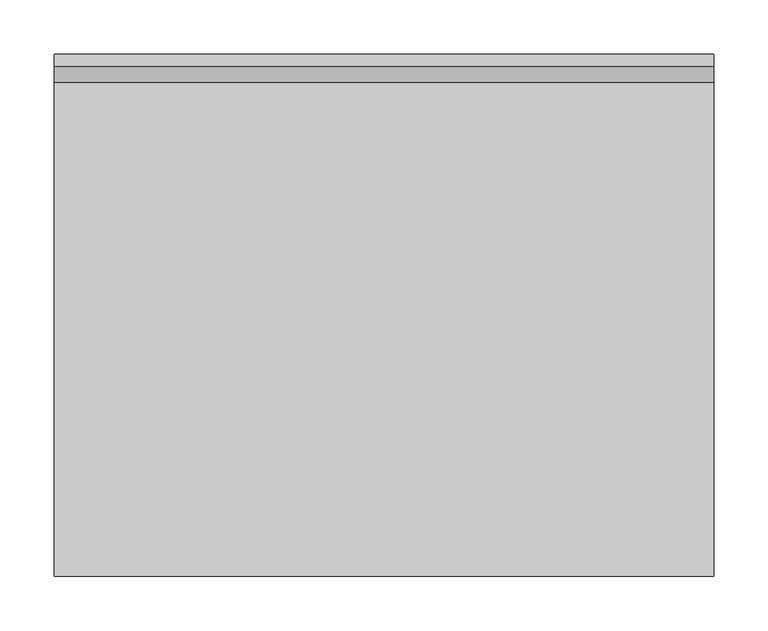
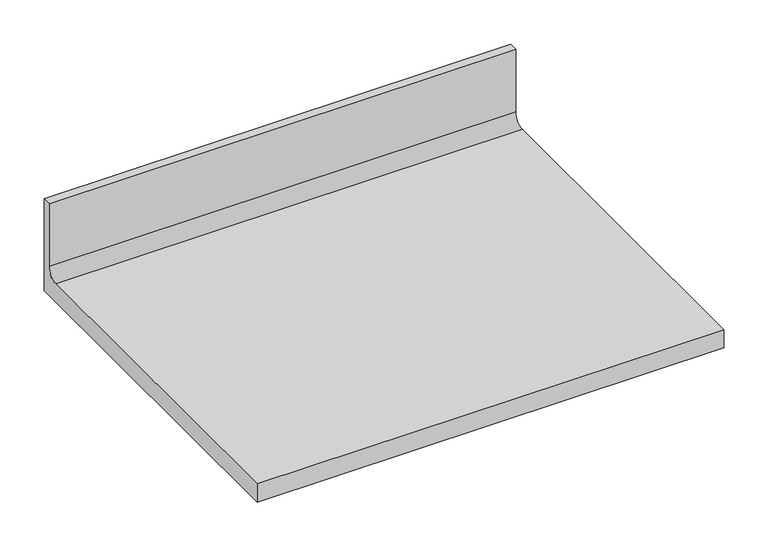
"""IFC4 building model written with IfcOpenShell, lengths in millimetres: furniture geometry."""

from ifc_helpers import new_model, si_unit, point, frame, frame_2d, origin, place, context, project, spatial, polyline, circle_curve, trimmed, segment, composite_curve, outline, extrude, source, transform, mapped, element, save


def furniture_2ddbdb34(model_context):
    return source(origin(), model_context, "Body", "SweptSolid", [
        extrude(outline(composite_curve([segment(polyline([(0.0, 787.4), (-482.6, 787.4), (-482.6, 812.8), (-25.8191, 812.8)]), True, "CONTINUOUS"), segment(trimmed(circle_curve(frame_2d((-25.8191, 827.5066)), 14.7066), [point((-25.8191, 812.8))], [point((-11.1125, 827.5066))], True, "CARTESIAN"), True, "CONTINUOUS"), segment(polyline([(-11.1125, 827.5066), (-11.1125, 914.4), (0.0, 914.4), (0.0, 787.4)]), True, "CONTINUOUS")], self_intersect=False)), frame((0.0, 0.0, 0.0), z_axis=(1.0, 0.0, 0.0), x_axis=(0.0, 1.0, 0.0)), (0.0, 0.0, 1.0), 609.6),
    ])


if __name__ == "__main__":
    model = new_model("IFC4")
    model_context = context("Model", 3, world=origin())
    ifc_project = project(units=[si_unit("LENGTHUNIT", "METRE", prefix="MILLI")], contexts=[model_context])
    site = spatial("IfcSite", under=ifc_project)
    building = spatial("IfcBuilding", under=site)
    placement = place(None, origin())
    furniture_shape = furniture_2ddbdb34(model_context)
    element("IfcFurniture", 1, at=placement, inside=building, context=model_context, shape_type="MappedRepresentation", body=[
        mapped(furniture_shape, transform((0.0, 0.0, 0.0), x_axis=(1.0, 0.0, 0.0), y_axis=(0.0, 1.0, 0.0), z_axis=(0.0, 0.0, 1.0))),
    ])
    save(model, "model.ifc")
